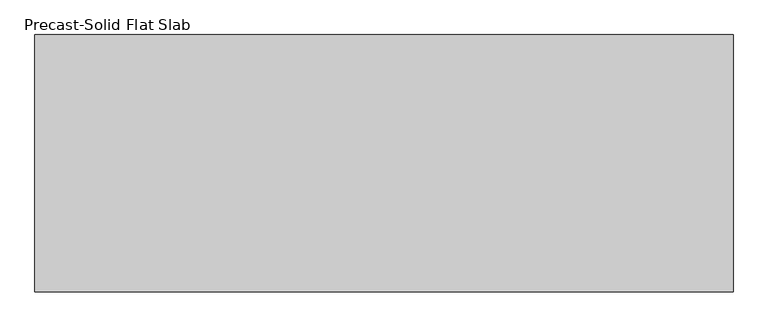
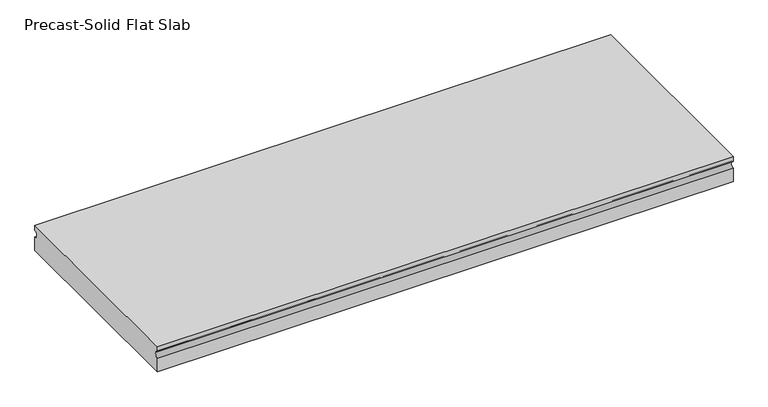
"""IFC4 building model written with IfcOpenShell, lengths in millimetres: beam geometry, Precast-Solid Flat Slab."""

from ifc_helpers import new_model, si_unit, point, frame, frame_2d, origin, place, context, project, spatial, polyline, circle_curve, trimmed, segment, composite_curve, outline, extrude, source, transform, mapped, element, save


def precast_solid_flat_slab_f5c3f743(model_context):
    return source(origin(), model_context, "Body", "SweptSolid", [
        extrude(outline(composite_curve([segment(polyline([(-304.8, 38.1), (304.8, 38.1), (304.8, 22.225)]), True, "CONTINUOUS"), segment(trimmed(circle_curve(frame_2d((304.8, 12.7)), 9.525), [point((304.8, 22.225))], [point((304.8, 3.175))], True, "CARTESIAN"), True, "CONTINUOUS"), segment(polyline([(304.8, 3.175), (304.8, -38.1), (-304.8, -38.1), (-304.8, 3.175)]), True, "CONTINUOUS"), segment(trimmed(circle_curve(frame_2d((-304.8, 12.7)), 9.525), [point((-304.8, 3.175))], [point((-304.8, 22.225))], True, "CARTESIAN"), True, "CONTINUOUS"), segment(polyline([(-304.8, 22.225), (-304.8, 38.1)]), True, "CONTINUOUS")], self_intersect=False)), frame((-787.7302, 0.0, 0.0), z_axis=(1.0, 0.0, 0.0), x_axis=(0.0, 1.0, 0.0)), (0.0, 0.0, 1.0), 1654.5052),
    ])


if __name__ == "__main__":
    model = new_model("IFC4")
    model_context = context("Model", 3, world=origin())
    ifc_project = project(units=[si_unit("LENGTHUNIT", "METRE", prefix="MILLI")], contexts=[model_context])
    site = spatial("IfcSite", under=ifc_project)
    building = spatial("IfcBuilding", under=site)
    placement = place(None, origin())
    precast_solid_flat_slab_shape = precast_solid_flat_slab_f5c3f743(model_context)
    element("IfcBeam", 1, ObjectType="Precast-Solid Flat Slab", at=placement, inside=building, context=model_context, shape_type="MappedRepresentation", body=[
        mapped(precast_solid_flat_slab_shape, transform((0.0, 0.0, 0.0), x_axis=(1.0, 0.0, 0.0), y_axis=(0.0, 1.0, 0.0), z_axis=(0.0, 0.0, 1.0))),
    ])
    save(model, "model.ifc")
